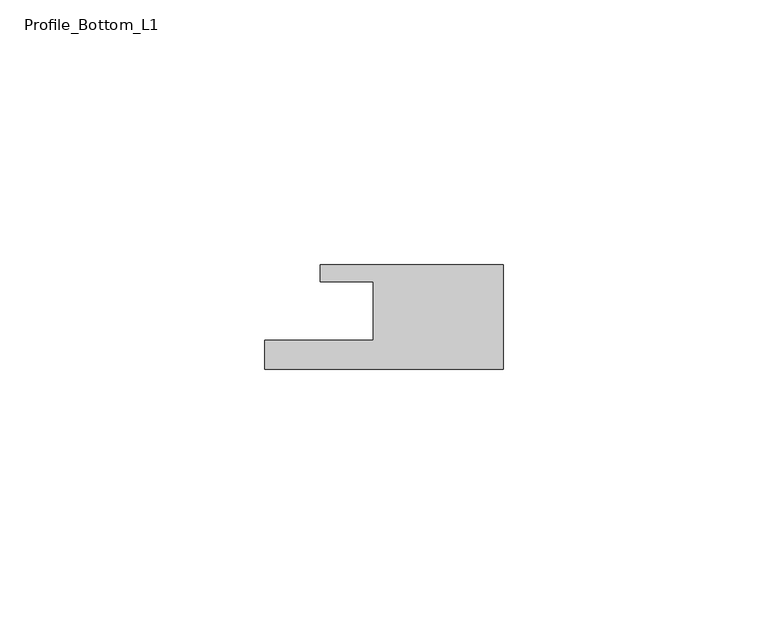
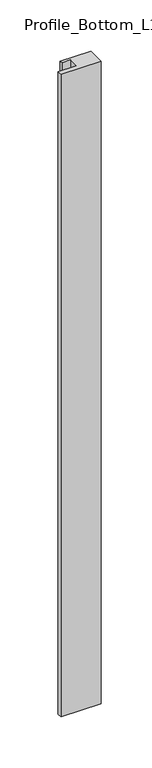
"""IFC4 building model written with IfcOpenShell, lengths in millimetres: member geometry, Profile_Bottom_L1."""

from ifc_helpers import new_model, si_unit, frame, origin, place, context, project, spatial, polyline, outline, extrude, source, transform, mapped, element, save


def profile_bottom_l1_61b07a26(model_context):
    return source(origin(), model_context, "Body", "SweptSolid", [
        extrude(outline(polyline([(-45.0, -5.5), (-24.5, -5.5), (-24.5, 5.5), (-34.5, 5.5), (-34.5, 8.7), (0.0, 8.7), (0.0, -11.0), (-45.0, -11.0), (-45.0, -5.5)])), frame((0.0, 0.0, -766.8), z_axis=(0.0, 0.0, 1.0), x_axis=(1.0, 0.0, 0.0)), (0.0, 0.0, 1.0), 766.8),
    ])


if __name__ == "__main__":
    model = new_model("IFC4")
    model_context = context("Model", 3, world=origin())
    ifc_project = project(units=[si_unit("LENGTHUNIT", "METRE", prefix="MILLI")], contexts=[model_context])
    site = spatial("IfcSite", under=ifc_project)
    building = spatial("IfcBuilding", under=site)
    placement = place(None, origin())
    profile_bottom_l1_shape = profile_bottom_l1_61b07a26(model_context)
    element("IfcMember", 1, ObjectType="Profile_Bottom_L1", at=placement, inside=building, context=model_context, shape_type="MappedRepresentation", body=[
        mapped(profile_bottom_l1_shape, transform((0.0, 0.0, 0.0), x_axis=(1.0, 0.0, 0.0), y_axis=(0.0, 1.0, 0.0), z_axis=(0.0, 0.0, 1.0))),
    ])
    save(model, "model.ifc")
